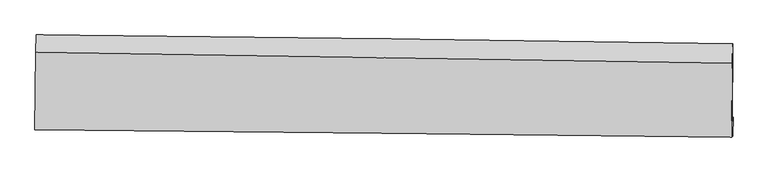
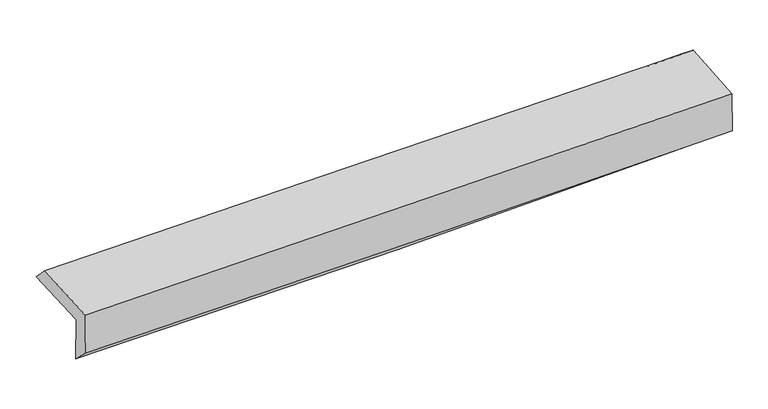
"""IFC4 building model written with IfcOpenShell, lengths in millimetres: proxy geometry."""

from ifc_helpers import new_model, si_unit, frame, origin, place, context, project, spatial, source, transform, mapped, element, save
from ifc_brep_helpers import plane_surface, spline_curve, spline_surface, advanced_brep


def generic_models_4b4873c7(model_context):
    return source(origin(), model_context, "Body", "AdvancedBrep", [
        advanced_brep(
        [(-3022.5492705, -1760.1540357, 1948.2361667), (-3014.3263378, -1100.5651824, 1970.0290081), (3008.8317419, -1177.7578809, 2128.9864906), (3001.6986287, -1848.0799416, 2119.6774185), (-3013.6378507, -1739.7907743, 1548.854239), (3010.9489786, -1814.4629601, 1711.2650254), (-3019.0487804, -1901.8930514, 1700.1478585), (3006.3029322, -1978.7125768, 1842.2427365), (-3027.7686949, -1920.7520374, 2091.5968357), (2998.0562208, -1983.8547445, 2218.835934), (-3019.6297512, -1249.9592342, 2124.0951782), (3004.1116946, -1347.000209, 2260.8545467)],
        [
            (0, 1),
            (1, 2, spline_curve(3, [(-3014.3263378, -1100.5651824, 1970.0290081), (-2010.167762101, -1110.519056053, 1973.189078049), (-1006.306317814, -1121.926395736, 1988.008236437), (1001.413392279, -1147.655582493, 2040.980325867), (2005.271307954, -1161.979142381, 2079.14699492), (3008.8317419, -1177.7578809, 2128.9864906)], [4, 2, 4], [0.0, 9.884160667441133, 19.77414296255924])),
            (2, 3),
            (3, 0, spline_curve(3, [(3001.6986287, -1848.0799416, 2119.6774185), (1998.105078807, -1832.924419985, 2060.676135306), (994.139738178, -1818.01741622, 2016.88899451), (-1013.943332337, -1788.709073334, 1959.759816667), (-2018.060624787, -1774.307441787, 1946.399873493), (-3022.5492705, -1760.1540357, 1948.2361667)], [4, 2, 4], [0.0, 9.889982295118106, 19.77414296255924])),
            (4, 0),
            (3, 5),
            (5, 4, spline_curve(3, [(3010.9489786, -1814.4629601, 1711.2650254), (2007.174135104, -1797.633661296, 1661.874303676), (1003.089913755, -1782.995142943, 1623.644010742), (-1005.106060075, -1758.10699248, 1569.520217031), (-2009.21744837, -1747.854782556, 1553.613581276), (-3013.6378507, -1739.7907743, 1548.854239)], [4, 2, 4], [0.0, 9.891169564434827, 19.776516802319854])),
            (6, 4),
            (5, 7),
            (7, 6, spline_curve(3, [(3006.3029322, -1978.7125768, 1842.2427365), (2001.964363531, -1968.417271887, 1812.77677477), (997.534584199, -1956.865737482, 1786.199918599), (-1010.916093732, -1931.257750864, 1738.838359331), (-2014.936885603, -1917.202776405, 1718.050256681), (-3019.0487804, -1901.8930514, 1700.1478585)], [4, 2, 4], [0.0, 9.890568666371312, 19.77531535990476])),
            (8, 6),
            (7, 9),
            (9, 8, spline_curve(3, [(2998.0562208, -1983.8547445, 2218.835934), (1993.659218137, -1971.362911507, 2193.594655449), (989.160773799, -1959.857178497, 2170.368229115), (-1019.447650491, -1938.824103168, 2127.957567841), (-2023.557511645, -1929.295600788, 2108.770961157), (-3027.7686949, -1920.7520374, 2091.5968357)], [4, 2, 4], [0.0, 9.890575398198855, 19.77532881959723])),
            (10, 8),
            (9, 11),
            (11, 10, spline_curve(3, [(3004.1116946, -1347.000209, 2260.8545467), (1999.921679849, -1330.296345131, 2237.863167426), (995.700423799, -1313.855361852, 2214.967536756), (-1012.213427977, -1281.508679808, 2169.38119334), (-2015.905987523, -1265.602671213, 2146.690367737), (-3019.6297512, -1249.9592342, 2124.0951782)], [4, 2, 4], [0.0, 9.889336804708128, 19.772852361700007])),
            (1, 10),
            (11, 2),
        ],
        [
            spline_surface(3, 3, [[(-3022.5492705, -1760.1540357, 1948.2361667), (-2018.060624924, -1774.307441776, 1946.399873537), (-1013.943332408, -1788.709073368, 1959.759816626), (994.139738249, -1818.017416186, 2016.88899455), (1998.105078764, -1832.924419881, 2060.676135417), (3001.6986287, -1848.0799416, 2119.6774185)], [(-3019.808292938, -1540.291084588, 1955.500447145), (-2015.429670605, -1553.044646472, 1955.329608345), (-1011.397660847, -1566.448180782, 1969.175956562), (996.564289602, -1594.56347161, 2024.919438311), (2000.493821821, -1609.275993983, 2066.833088581), (3004.076333097, -1624.639254675, 2122.780442537)], [(-3017.067315362, -1320.428133512, 1962.764727655), (-2012.798716271, -1331.781851205, 1964.259343219), (-1008.851989346, -1344.187288276, 1978.592096517), (998.988840897, -1371.109527114, 2032.949882091), (2002.882564886, -1385.62756816, 2072.990041735), (3006.454037503, -1401.198567825, 2125.883466563)], [(-3014.3263378, -1100.5651824, 1970.0290081), (-2010.167761952, -1110.519055902, 1973.189078027), (-1006.306317785, -1121.926395691, 1988.008236452), (1001.413392251, -1147.655582538, 2040.980325852), (2005.271307943, -1161.979142263, 2079.1469949), (3008.8317419, -1177.7578809, 2128.9864906)]], [4, 4], [4, 2, 4], [0.0, 2.1952978363581916], [0.0, 9.884160667441133, 19.77414296255924]),
            spline_surface(3, 3, [[(-3013.6378507, -1739.7907743, 1548.854239), (-2009.21744847, -1747.854782675, 1553.613581127), (-1005.106060097, -1758.106992599, 1569.520217026), (1003.089913777, -1782.995142824, 1623.644010747), (2007.174135189, -1797.633661456, 1661.874303693), (3010.9489786, -1814.4629601, 1711.2650254)], [(-3016.608323983, -1746.578528118, 1681.981548236), (-2012.165173971, -1756.672335726, 1684.542345266), (-1008.051817539, -1768.307686205, 1699.600083566), (1000.10652193, -1794.669233961, 1754.725672022), (2004.15111639, -1809.397247599, 1794.808247614), (3007.865528643, -1825.668620601, 1847.40248978)], [(-3019.578797217, -1753.366281882, 1815.108857464), (-2015.112899422, -1765.489888724, 1815.471109398), (-1010.997574966, -1778.508379762, 1829.679950086), (997.123130097, -1806.343325049, 1885.807333276), (2001.128097562, -1821.160833738, 1927.742191495), (3004.782078657, -1836.874281099, 1983.53995412)], [(-3022.5492705, -1760.1540357, 1948.2361667), (-2018.060624924, -1774.307441776, 1946.399873537), (-1013.943332408, -1788.709073368, 1959.759816626), (994.139738249, -1818.017416186, 2016.88899455), (1998.105078764, -1832.924419881, 2060.676135417), (3001.6986287, -1848.0799416, 2119.6774185)]], [4, 4], [4, 2, 4], [0.0, 1.2900775627725505], [0.0, 9.885347237885027, 19.776516802319854]),
            spline_surface(3, 3, [[(-3019.0487804, -1901.8930514, 1700.1478585), (-2014.936885685, -1917.202776311, 1718.050256562), (-1010.91609388, -1931.257750703, 1738.838359427), (997.534584347, -1956.865737644, 1786.199918503), (2001.964363384, -1968.41727176, 1812.776774929), (3006.3029322, -1978.7125768, 1842.2427365)], [(-3017.245137139, -1847.858959015, 1649.716652019), (-2013.030406586, -1860.753445081, 1663.238031436), (-1008.979415975, -1873.540831318, 1682.398978629), (999.386360801, -1898.908872687, 1732.01461592), (2003.700953993, -1911.489401684, 1762.47595116), (3007.85161434, -1923.962704592, 1798.583499443)], [(-3015.441493961, -1793.824866685, 1599.285445481), (-2011.123927569, -1804.304113905, 1608.425806253), (-1007.042738002, -1815.823911984, 1625.959597824), (1001.238137323, -1840.952007781, 1677.829313331), (2005.43754458, -1854.561531532, 1712.175127462), (3009.40029646, -1869.212832308, 1754.924262457)], [(-3013.6378507, -1739.7907743, 1548.854239), (-2009.21744847, -1747.854782675, 1553.613581127), (-1005.106060097, -1758.106992599, 1569.520217026), (1003.089913777, -1782.995142824, 1623.644010747), (2007.174135189, -1797.633661456, 1661.874303693), (3010.9489786, -1814.4629601, 1711.2650254)]], [4, 4], [4, 2, 4], [0.0, 0.7878987042285659], [0.0, 9.884746693533447, 19.77531535990476]),
            spline_surface(3, 3, [[(-3027.7686949, -1920.7520374, 2091.5968357), (-2023.5575118, -1929.295600856, 2108.770961208), (-1019.447650644, -1938.824103259, 2127.957567766), (989.160773952, -1959.857178406, 2170.36822919), (1993.659218083, -1971.362911666, 2193.594655398), (2998.0562208, -1983.8547445, 2218.835934)], [(-3024.862056762, -1914.465708746, 1961.113843304), (-2020.683969791, -1925.264659354, 1978.53072633), (-1016.60379836, -1936.301985741, 1998.251164987), (991.952044114, -1958.860031486, 2042.312125629), (1996.427599859, -1970.38103167, 2066.655361933), (3000.805124609, -1982.140688573, 2093.304868192)], [(-3021.955418538, -1908.179380054, 1830.630850896), (-2017.810427695, -1921.233717814, 1848.29049144), (-1013.759946164, -1933.779868221, 1868.544762206), (994.743314186, -1957.862884564, 1914.256022065), (1999.195981608, -1969.399151756, 1939.716068394), (3003.554028391, -1980.426632727, 1967.773802308)], [(-3019.0487804, -1901.8930514, 1700.1478585), (-2014.936885685, -1917.202776311, 1718.050256562), (-1010.91609388, -1931.257750703, 1738.838359427), (997.534584347, -1956.865737644, 1786.199918503), (2001.964363384, -1968.41727176, 1812.776774929), (3006.3029322, -1978.7125768, 1842.2427365)]], [4, 4], [4, 2, 4], [0.0, 1.2689327203304028], [0.0, 9.884753421398376, 19.77532881959723]),
            spline_surface(3, 3, [[(-3019.6297512, -1249.9592342, 2124.0951782), (-2015.905987473, -1265.602671352, 2146.690367834), (-1012.213428111, -1281.508679717, 2169.381193302), (995.700423933, -1313.855361943, 2214.967536794), (1999.92167982, -1330.296345141, 2237.863167462), (3004.1116946, -1347.000209, 2260.8545467)], [(-3022.342732403, -1473.556835272, 2113.26239735), (-2018.456495552, -1486.833647859, 2134.050565608), (-1014.624835622, -1500.613820918, 2155.573318128), (993.520540607, -1529.189300784, 2200.101100931), (1997.834192569, -1543.985200656, 2223.106996742), (3002.093203328, -1559.285054174, 2246.848342435)], [(-3025.055713697, -1697.154436328, 2102.42961655), (-2021.007003722, -1708.064624349, 2121.410763433), (-1017.036243133, -1719.718962057, 2141.765442939), (991.340657279, -1744.523239565, 2185.234665053), (1995.746705333, -1757.674056151, 2208.350826118), (3000.074712072, -1771.569899326, 2232.842138265)], [(-3027.7686949, -1920.7520374, 2091.5968357), (-2023.5575118, -1929.295600856, 2108.770961208), (-1019.447650644, -1938.824103259, 2127.957567766), (989.160773952, -1959.857178406, 2170.36822919), (1993.659218083, -1971.362911666, 2193.594655398), (2998.0562208, -1983.8547445, 2218.835934)]], [4, 4], [4, 2, 4], [0.0, 2.142747931983163], [0.0, 9.88351555699188, 19.772852361700007]),
            spline_surface(3, 3, [[(-3014.3263378, -1100.5651824, 1970.0290081), (-2010.167761952, -1110.519055902, 1973.189078027), (-1006.306317785, -1121.926395691, 1988.008236452), (1001.413392251, -1147.655582538, 2040.980325852), (2005.271307943, -1161.979142263, 2079.1469949), (3008.8317419, -1177.7578809, 2128.9864906)], [(-3016.094142274, -1150.363199661, 2021.384398147), (-2012.0805038, -1162.213594379, 2031.022841309), (-1008.275354583, -1175.120490372, 2048.465888727), (999.509069456, -1203.055509012, 2098.976062825), (2003.48809855, -1218.084876575, 2132.052385768), (3007.258392781, -1234.171990286, 2172.942509315)], [(-3017.861946726, -1200.161216939, 2072.739788153), (-2013.993245625, -1213.908132874, 2088.856604552), (-1010.244391314, -1228.314585036, 2108.923541027), (997.604746728, -1258.455435469, 2156.971799822), (2001.704889213, -1274.19061083, 2184.957776593), (3005.685043719, -1290.586099614, 2216.898527985)], [(-3019.6297512, -1249.9592342, 2124.0951782), (-2015.905987473, -1265.602671352, 2146.690367834), (-1012.213428111, -1281.508679717, 2169.381193302), (995.700423933, -1313.855361943, 2214.967536794), (1999.92167982, -1330.296345141, 2237.863167462), (3004.1116946, -1347.000209, 2260.8545467)]], [4, 4], [4, 2, 4], [0.0, 0.7910656570240344], [0.0, 9.882259074303418, 19.770338656272955]),
            plane_surface(frame((3004.9916995, -1691.6447188, 2046.9770253), z_axis=(0.9997037486618239, -0.010940115679799257, 0.021742326931808643), x_axis=(0.021890907232171318, 0.013649891701995613, -0.999667178933607))),
            plane_surface(frame((-3019.4934476, -1612.1857192, 1897.159881), z_axis=(-0.9996791100564202, 0.013177542315870438, -0.021633984730453828), x_axis=(-0.012458988917677423, -0.9993770505085783, -0.03301945656615172))),
        ],
        [
            (0, [[1, 2, 3, 4]]),
            (1, [[5, -4, 6, 7]]),
            (2, [[8, -7, 9, 10]]),
            (3, [[11, -10, 12, 13]]),
            (4, [[14, -13, 15, 16]]),
            (5, [[17, -16, 18, -2]]),
            (6, [[-12, -9, -6, -3, -18, -15]]),
            (7, [[-1, -5, -8, -11, -14, -17]]),
        ],
    ),
    ])


if __name__ == "__main__":
    model = new_model("IFC4")
    model_context = context("Model", 3, world=origin())
    ifc_project = project(units=[si_unit("LENGTHUNIT", "METRE", prefix="MILLI")], contexts=[model_context])
    site = spatial("IfcSite", under=ifc_project)
    building = spatial("IfcBuilding", under=site)
    placement = place(None, origin())
    generic_models_shape = generic_models_4b4873c7(model_context)
    element("IfcBuildingElementProxy", 1, Name="Generic Models", at=placement, inside=building, context=model_context, shape_type="MappedRepresentation", body=[
        mapped(generic_models_shape, transform((0.0, 0.0, 0.0), x_axis=(1.0, 0.0, 0.0), y_axis=(0.0, 1.0, 0.0), z_axis=(0.0, 0.0, 1.0))),
    ])
    save(model, "model.ifc")
